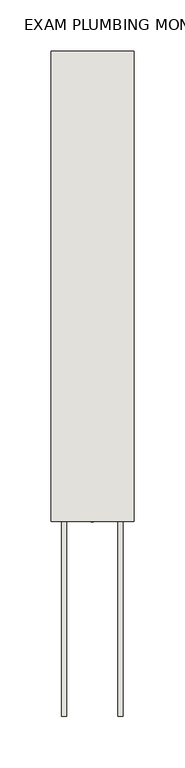
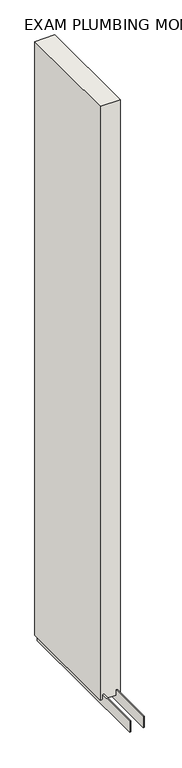
"""IFC4 building model written with IfcOpenShell, lengths in millimetres: wall geometry, EXAM PLUMBING MONO 282884 : EXAM PLUMBING MONO 282884."""

from ifc_helpers import new_model, si_unit, frame, origin, place, context, project, spatial, polyline, outline, extrude, source, transform, mapped, element, save


def exam_plumbing_mono_282884_exam_plumbing_mono_282884_3e962b4c(model_context):
    return source(origin(), model_context, "Body", "SweptSolid", [
        extrude(outline(polyline([(78033.282211, -54775.814375), (78033.282211, -54778.354375), (78030.742211, -54778.354375), (78030.742211, -54775.814375), (78033.282211, -54775.814375)])), frame((0.0, 0.0, 4419.6), z_axis=(0.0, 0.0, 1.0), x_axis=(1.0, 0.0, 0.0)), (0.0, 0.0, 1.0), 2.54),
        extrude(outline(polyline([(78006.9284664, -54317.6705618), (78006.9284664, -54968.849422), (78001.849711, -54968.849422), (78001.849711, -54317.6705618), (78006.9284664, -54317.6705618)])), frame((0.0, 0.0, 4418.6602), z_axis=(0.0, 0.0, 1.0), x_axis=(1.0, 0.0, 0.0)), (0.0, 0.0, 1.0), 47.625),
        extrude(outline(polyline([(78006.9284664, -54317.6705618), (78006.9284664, -54968.849422), (78001.849711, -54968.849422), (78001.849711, -54317.6705618), (78006.9284664, -54317.6705618)])), frame((0.0, 0.0, 4418.6602), z_axis=(0.0, 0.0, 1.0), x_axis=(1.0, 0.0, 0.0)), (0.0, 0.0, 1.0), 47.625),
        extrude(outline(polyline([(78057.0959556, -54968.849422), (78057.0959556, -54317.6705618), (78062.174711, -54317.6705618), (78062.174711, -54968.849422), (78057.0959556, -54968.849422)])), frame((0.0, 0.0, 4418.6602), z_axis=(0.0, 0.0, 1.0), x_axis=(1.0, 0.0, 0.0)), (0.0, 0.0, 1.0), 47.625),
        extrude(outline(polyline([(78057.0959556, -54968.849422), (78057.0959556, -54317.6705618), (78062.174711, -54317.6705618), (78062.174711, -54968.849422), (78057.0959556, -54968.849422)])), frame((0.0, 0.0, 4418.6602), z_axis=(0.0, 0.0, 1.0), x_axis=(1.0, 0.0, 0.0)), (0.0, 0.0, 1.0), 47.625),
        extrude(outline(polyline([(77991.3573266, -54317.6705618), (78072.6670954, -54317.6705618), (78072.6670954, -54778.349422), (77991.3573266, -54778.349422), (77991.3573266, -54317.6705618)])), frame((0.0, 0.0, 4445.0), z_axis=(0.0, 0.0, 1.0), x_axis=(1.0, 0.0, 0.0)), (0.0, 0.0, 1.0), 2562.4536762),
    ])


if __name__ == "__main__":
    model = new_model("IFC4")
    model_context = context("Model", 3, world=origin())
    ifc_project = project(units=[si_unit("LENGTHUNIT", "METRE", prefix="MILLI")], contexts=[model_context])
    site = spatial("IfcSite", under=ifc_project)
    building = spatial("IfcBuilding", under=site)
    placement = place(None, origin())
    exam_plumbing_mono_282884_exam_plumbing_mono_282884_shape = exam_plumbing_mono_282884_exam_plumbing_mono_282884_3e962b4c(model_context)
    element("IfcWall", 1, ObjectType="EXAM PLUMBING MONO 282884 : EXAM PLUMBING MONO 282884", at=placement, inside=building, context=model_context, shape_type="MappedRepresentation", body=[
        mapped(exam_plumbing_mono_282884_exam_plumbing_mono_282884_shape, transform((0.0, 0.0, 0.0), x_axis=(1.0, 0.0, 0.0), y_axis=(0.0, 1.0, 0.0), z_axis=(0.0, 0.0, 1.0))),
    ])
    save(model, "model.ifc")
